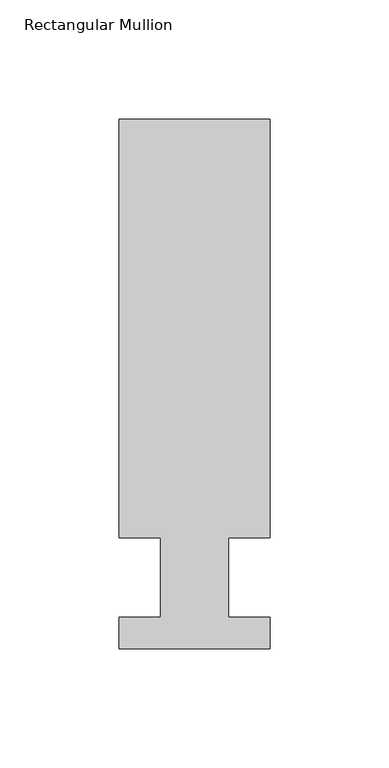
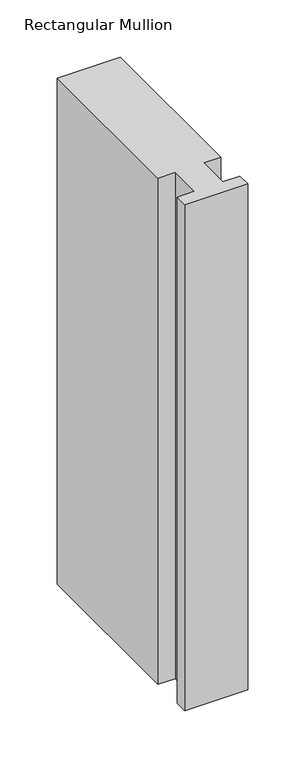
"""IFC4 building model written with IfcOpenShell, lengths in millimetres: member geometry, Rectangular Mullion."""

from ifc_helpers import new_model, si_unit, frame, origin, place, context, project, spatial, polyline, outline, extrude, source, transform, mapped, element, save


def rectangular_mullion_057a064b(model_context):
    return source(origin(), model_context, "Body", "SweptSolid", [
        extrude(outline(polyline([(-63.4999995, 222.5381324), (1e-07, 222.5381321), (-6e-07, 46.7447321), (-17.4625007, 46.7447321), (-17.4625008, 13.3945321), (-3e-07, 13.3945321), (-4e-07, 0.2119321), (-63.5000004, 0.2119323), (-63.5000003, 13.3945323), (-46.0248008, 13.3945322), (-46.0248007, 46.7447322), (-63.5000002, 46.7447323), (-63.4999995, 222.5381324)])), frame((0.0, 0.0, -539.5614227), z_axis=(0.0, 0.0, 1.0), x_axis=(1.0, 0.0, 0.0)), (0.0, 0.0, 1.0), 539.5614227),
    ])


if __name__ == "__main__":
    model = new_model("IFC4")
    model_context = context("Model", 3, world=origin())
    ifc_project = project(units=[si_unit("LENGTHUNIT", "METRE", prefix="MILLI")], contexts=[model_context])
    site = spatial("IfcSite", under=ifc_project)
    building = spatial("IfcBuilding", under=site)
    placement = place(None, origin())
    rectangular_mullion_shape = rectangular_mullion_057a064b(model_context)
    element("IfcMember", 1, ObjectType="Rectangular Mullion", at=placement, inside=building, context=model_context, shape_type="MappedRepresentation", body=[
        mapped(rectangular_mullion_shape, transform((0.0, 0.0, 0.0), x_axis=(1.0, 0.0, 0.0), y_axis=(0.0, 1.0, 0.0), z_axis=(0.0, 0.0, 1.0))),
    ])
    save(model, "model.ifc")
